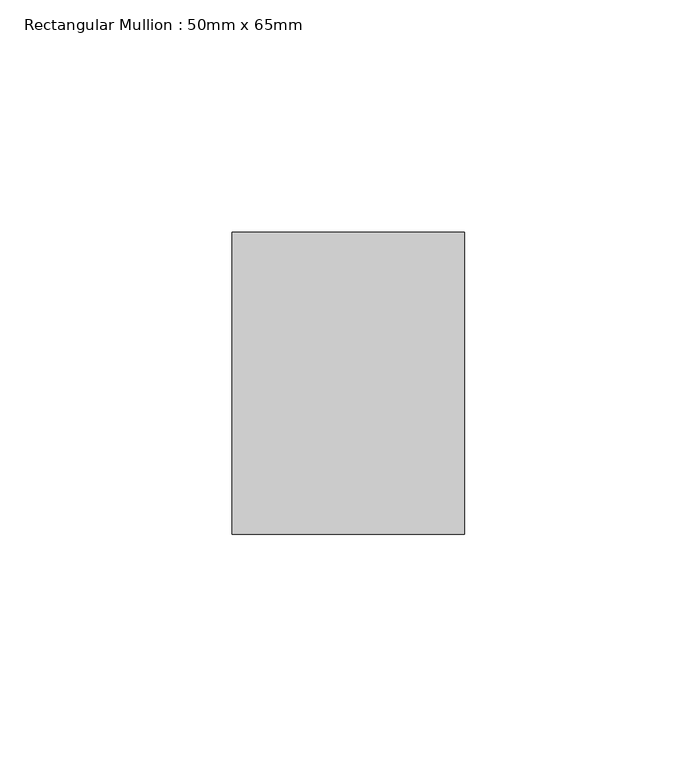
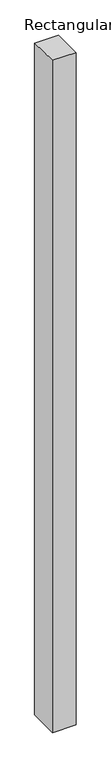
"""IFC4 building model written with IfcOpenShell, lengths in millimetres: member geometry, Rectangular Mullion : 50mm x 65mm."""

from ifc_helpers import new_model, si_unit, origin, place, context, project, spatial, faceted_brep, source, transform, mapped, element, save


def rectangular_mullion_50mm_x_65mm_8e21c842(model_context):
    return source(origin(), model_context, "Body", "Brep", [
        faceted_brep([(-25.0, 32.5, -0.305725), (25.0, 32.5, -0.3057244), (25.0, 32.5, -1499.7976923), (-25.0, 32.5, -1499.7976918), (-25.0, -32.5, 0.3057244), (-25.0, -32.5, -1500.2031697), (25.0, -32.5, 0.305725), (25.0, -32.5, -1500.2031702)], [[[0, 1, 2, 3]], [[4, 0, 3, 5]], [[6, 4, 5, 7]], [[1, 6, 7, 2]], [[1, 0, 4, 6]], [[2, 7, 5, 3]]]),
    ])


if __name__ == "__main__":
    model = new_model("IFC4")
    model_context = context("Model", 3, world=origin())
    ifc_project = project(units=[si_unit("LENGTHUNIT", "METRE", prefix="MILLI")], contexts=[model_context])
    site = spatial("IfcSite", under=ifc_project)
    building = spatial("IfcBuilding", under=site)
    placement = place(None, origin())
    rectangular_mullion_50mm_x_65mm_shape = rectangular_mullion_50mm_x_65mm_8e21c842(model_context)
    element("IfcMember", 1, ObjectType="Rectangular Mullion : 50mm x 65mm", at=placement, inside=building, context=model_context, shape_type="MappedRepresentation", body=[
        mapped(rectangular_mullion_50mm_x_65mm_shape, transform((0.0, 0.0, 0.0), x_axis=(1.0, 0.0, 0.0), y_axis=(0.0, 1.0, 0.0), z_axis=(0.0, 0.0, 1.0))),
    ])
    save(model, "model.ifc")
